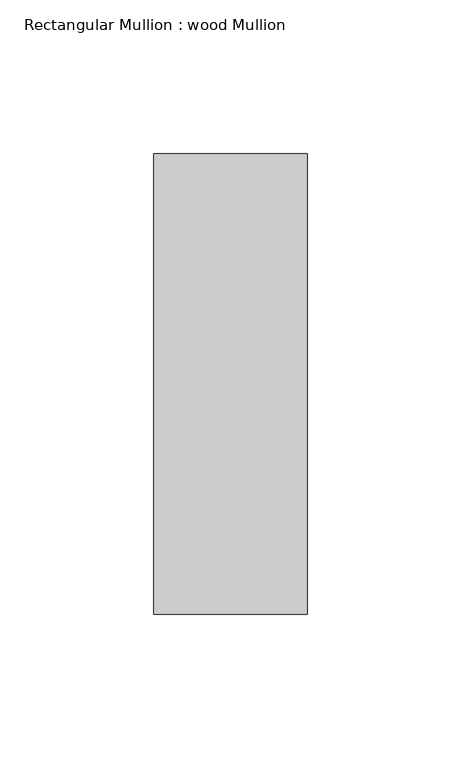
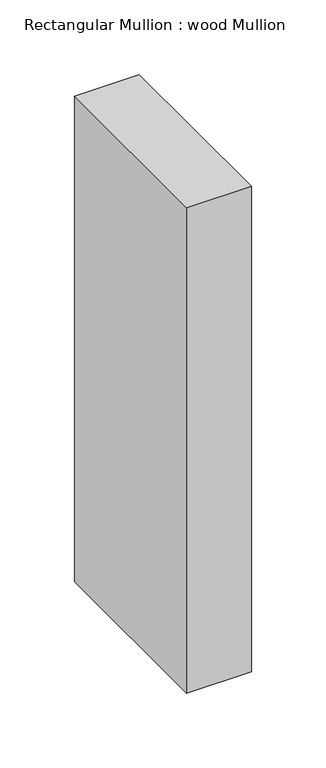
"""IFC4 building model written with IfcOpenShell, lengths in millimetres: member geometry, Rectangular Mullion : wood Mullion."""

from ifc_helpers import new_model, si_unit, frame, origin, place, context, project, spatial, polyline, outline, extrude, source, transform, mapped, element, save


def rectangular_mullion_wood_mullion_49d802b4(model_context):
    return source(origin(), model_context, "Body", "SweptSolid", [
        extrude(outline(polyline([(0.0, 75.0), (0.0, -75.0), (-50.0, -75.0), (-50.0, 75.0), (0.0, 75.0)])), frame((0.0, 0.0, -396.6666667), z_axis=(0.0, 0.0, 1.0), x_axis=(1.0, 0.0, 0.0)), (0.0, 0.0, 1.0), 396.6666667),
    ])


if __name__ == "__main__":
    model = new_model("IFC4")
    model_context = context("Model", 3, world=origin())
    ifc_project = project(units=[si_unit("LENGTHUNIT", "METRE", prefix="MILLI")], contexts=[model_context])
    site = spatial("IfcSite", under=ifc_project)
    building = spatial("IfcBuilding", under=site)
    placement = place(None, origin())
    rectangular_mullion_wood_mullion_shape = rectangular_mullion_wood_mullion_49d802b4(model_context)
    element("IfcMember", 1, ObjectType="Rectangular Mullion : wood Mullion", at=placement, inside=building, context=model_context, shape_type="MappedRepresentation", body=[
        mapped(rectangular_mullion_wood_mullion_shape, transform((0.0, 0.0, 0.0), x_axis=(1.0, 0.0, 0.0), y_axis=(0.0, 1.0, 0.0), z_axis=(0.0, 0.0, 1.0))),
    ])
    save(model, "model.ifc")
